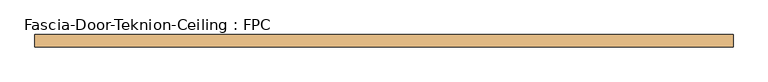
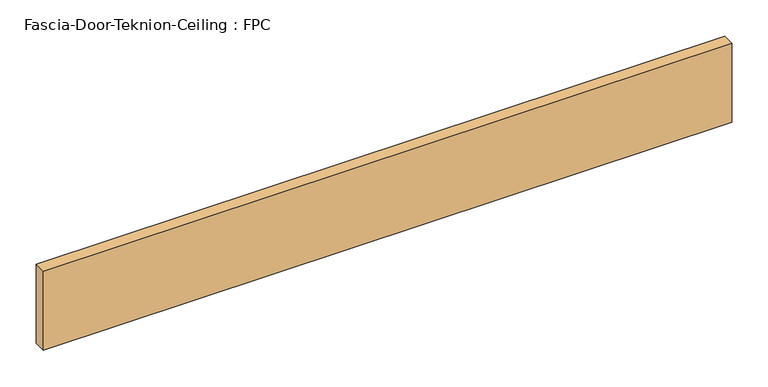
"""IFC4 building model written with IfcOpenShell, lengths in millimetres: door geometry, Fascia-Door-Teknion-Ceiling : FPC."""

import ifcopenshell
import ifcopenshell.guid

model = None  # the IFC model being written
_history = None  # IfcOwnerHistory: only IFC2X3 demands one
_inside = {}  # id of a spatial element -> (the spatial element, [elements in it])
_under = {}  # id of a project, library or spatial element -> (it, [spatial elements below it])
_declared = {}  # id of a project -> (the project, [libraries it declares])
_typed = {}  # id of a type object -> (the type object, [elements of that type])
_made_of = {}  # id of a material, layer set ... -> (it, [elements and type objects made of it])


def new_model(schema):
    """Start an empty IFC model of exactly this schema.

    Asked for "IFC4X3", IfcOpenShell would pick the latest addendum, in which some entities
    have other attributes; the version numbers below select the first issue.
    IFC2X3 requires an IfcOwnerHistory on every rooted entity: one is made here for all.
    """
    global model, _history
    if schema == "IFC4X3":
        model = ifcopenshell.file(schema_version=(4, 3, 0, 0))
    else:
        model = ifcopenshell.file(schema=schema)
    _inside.clear()
    _under.clear()
    _declared.clear()
    _typed.clear()
    _made_of.clear()
    _history = None
    if model.schema == "IFC2X3":
        org = make("IfcOrganization", Name="unknown")
        user = make(
            "IfcPersonAndOrganization",
            ThePerson=make("IfcPerson", FamilyName="unknown"),
            TheOrganization=org,
        )
        app = make(
            "IfcApplication",
            ApplicationDeveloper=org,
            Version="unknown",
            ApplicationFullName="unknown",
            ApplicationIdentifier="unknown",
        )
        _history = make(
            "IfcOwnerHistory",
            OwningUser=user,
            OwningApplication=app,
            ChangeAction="ADDED",
            CreationDate=0,
        )
    return model


def make(cls, **values):
    """One entity of the class cls with the attributes given. An attribute that is None is left unset."""
    return model.create_entity(
        cls, **{name: value for name, value in values.items() if value is not None}
    )


def rooted(cls, **values):
    """An entity with a GlobalId (a new one), such as an element, a storey or a relation."""
    return make(cls, GlobalId=ifcopenshell.guid.new(), OwnerHistory=_history, **values)


def si_unit(unit_type, name, prefix=None):
    """IfcSIUnit, for example si_unit("LENGTHUNIT", "METRE", prefix="MILLI")."""
    return make("IfcSIUnit", UnitType=unit_type, Prefix=prefix, Name=name)


def assignment(units):
    """IfcUnitAssignment: the units of a project."""
    return None if units is None else make("IfcUnitAssignment", Units=units)


def point(xyz):
    """IfcCartesianPoint."""
    return None if xyz is None else make("IfcCartesianPoint", Coordinates=xyz)


def direction(xyz):
    """IfcDirection."""
    return None if xyz is None else make("IfcDirection", DirectionRatios=xyz)


def frame(location, z_axis=None, x_axis=None):
    """IfcAxis2Placement3D, a coordinate frame: its origin and axes. An axis left out is left unset."""
    return make(
        "IfcAxis2Placement3D",
        Location=point(location),
        Axis=direction(z_axis),
        RefDirection=direction(x_axis),
    )


def origin():
    """The frame at (0, 0, 0) with its axes left unset."""
    return frame((0.0, 0.0, 0.0))


def origin_with_axes():
    """The frame at (0, 0, 0) with the z axis (0, 0, 1) and the x axis (1, 0, 0) written out."""
    return frame((0.0, 0.0, 0.0), z_axis=(0.0, 0.0, 1.0), x_axis=(1.0, 0.0, 0.0))


def place(relative_to, where):
    """IfcLocalPlacement: puts the frame where relative to a parent placement (None: the world)."""
    return make(
        "IfcLocalPlacement", PlacementRelTo=relative_to, RelativePlacement=where
    )


def context(
    kind, dimensions, precision=None, world=None, true_north=None, identifier=None
):
    """IfcGeometricRepresentationContext, for example the 3D "Model" context."""
    return make(
        "IfcGeometricRepresentationContext",
        ContextIdentifier=identifier,
        ContextType=kind,
        CoordinateSpaceDimension=dimensions,
        Precision=precision,
        WorldCoordinateSystem=world,
        TrueNorth=true_north,
    )


def project(units=None, contexts=None):
    """IfcProject with its units and contexts."""
    return rooted(
        "IfcProject",
        Name="project",
        RepresentationContexts=contexts,
        UnitsInContext=assignment(units),
    )


def spatial(cls, under=None, at=None, **own):
    """A site, building, storey or space (cls), placed at a placement, below another one or the project."""
    s = rooted(cls, ObjectPlacement=at, **own)
    if under is not None:
        _under.setdefault(under.id(), (under, []))[1].append(s)
    return s


def polyline(points):
    """IfcPolyline through the points."""
    return make("IfcPolyline", Points=[point(p) for p in points])


def outline(outer, holes=None, kind="AREA"):
    """IfcArbitraryClosedProfileDef: a profile drawn as a closed curve; with holes, ...WithVoids."""
    if holes is None:
        return make("IfcArbitraryClosedProfileDef", ProfileType=kind, OuterCurve=outer)
    return make(
        "IfcArbitraryProfileDefWithVoids",
        ProfileType=kind,
        OuterCurve=outer,
        InnerCurves=holes,
    )


def extrude(swept, where, along, depth):
    """IfcExtrudedAreaSolid: the profile swept, set in the frame where, extruded along a direction by depth."""
    return make(
        "IfcExtrudedAreaSolid",
        SweptArea=swept,
        Position=where,
        ExtrudedDirection=direction(along),
        Depth=depth,
    )


def shape(context_of_items, identifier, shape_type, items):
    """IfcShapeRepresentation: the items that make up one representation, for example the "Body"."""
    return make(
        "IfcShapeRepresentation",
        ContextOfItems=context_of_items,
        RepresentationIdentifier=identifier,
        RepresentationType=shape_type,
        Items=items,
    )


def source(mapping_origin, context_of_items, identifier, shape_type, items):
    """IfcRepresentationMap: a shape defined once, which mapped items show again and again."""
    return make(
        "IfcRepresentationMap",
        MappingOrigin=mapping_origin,
        MappedRepresentation=shape(context_of_items, identifier, shape_type, items),
    )


def transform(
    local_origin,
    x_axis=None,
    y_axis=None,
    z_axis=None,
    scale=None,
    scale2=None,
    scale3=None,
    uniform=True,
):
    """IfcCartesianTransformationOperator3D, or its non-uniform kind. x_axis, y_axis, z_axis: its Axis1, 2, 3."""
    if uniform:
        return make(
            "IfcCartesianTransformationOperator3D",
            Axis1=direction(x_axis),
            Axis2=direction(y_axis),
            LocalOrigin=point(local_origin),
            Scale=scale,
            Axis3=direction(z_axis),
        )
    return make(
        "IfcCartesianTransformationOperator3DnonUniform",
        Axis1=direction(x_axis),
        Axis2=direction(y_axis),
        LocalOrigin=point(local_origin),
        Scale=scale,
        Axis3=direction(z_axis),
        Scale2=scale2,
        Scale3=scale3,
    )


def mapped(mapping_source, mapping_target):
    """IfcMappedItem: shows the shape of a source again, moved by a transform."""
    return make(
        "IfcMappedItem", MappingSource=mapping_source, MappingTarget=mapping_target
    )


def made_of(thing, what):
    """Note that an element or type object is made of a material, layer set ...; save() writes the relation."""
    if what is not None:
        _made_of.setdefault(what.id(), (what, []))[1].append(thing)
    return thing


def element(
    cls,
    number,
    at=None,
    inside=None,
    cuts=None,
    type_object=None,
    material=None,
    context=None,
    identifier="Body",
    shape_type=None,
    held_by="IfcProductDefinitionShape",
    body=None,
    shapes=None,
    **own,
):
    """One element of the class cls, such as IfcWall. Its Tag is "e" and its number.

    at: its placement. inside: the storey or other place that contains it. cuts: it is an
    opening in that element (IfcRelVoidsElement). A single representation is given by context,
    identifier, shape_type and body (its items); several are given by shapes. held_by: the class
    of the entity that holds the representations. save() writes the other relations.
    """
    e = rooted(cls, Tag="e%d" % number, ObjectPlacement=at, **own)
    if body is not None:
        shapes = [shape(context, identifier, shape_type, body)]
    if shapes is not None:
        e.Representation = make(held_by, Representations=shapes)
    if inside is not None:
        _inside.setdefault(inside.id(), (inside, []))[1].append(e)
    if cuts is not None:
        rooted(
            "IfcRelVoidsElement", RelatingBuildingElement=cuts, RelatedOpeningElement=e
        )
    if type_object is not None:
        _typed.setdefault(type_object.id(), (type_object, []))[1].append(e)
    return made_of(e, material)


def aggregate(whole, parts):
    """IfcRelAggregates: a whole, such as a stair, and the parts it consists of."""
    return rooted("IfcRelAggregates", RelatingObject=whole, RelatedObjects=parts)


def save(model, path):
    """Write the relations noted so far, then the file.

    IfcRelAggregates (storeys below a building ...), IfcRelContainedInSpatialStructure (elements
    in a storey), IfcRelDefinesByType, IfcRelAssociatesMaterial and IfcRelDeclares: one each for
    every whole, place, type object, material and project.
    """
    for whole, parts in _under.values():
        aggregate(whole, parts)
    for where, things in _inside.values():
        rooted(
            "IfcRelContainedInSpatialStructure",
            RelatedElements=things,
            RelatingStructure=where,
        )
    for kind, things in _typed.values():
        rooted("IfcRelDefinesByType", RelatedObjects=things, RelatingType=kind)
    for what, things in _made_of.values():
        rooted("IfcRelAssociatesMaterial", RelatedObjects=things, RelatingMaterial=what)
    for by, libraries in _declared.values():
        rooted("IfcRelDeclares", RelatingContext=by, RelatedDefinitions=libraries)
    model.write(path)


def fascia_door_teknion_ceiling_fpc_80850e86(model_context):
    return source(origin(), model_context, "Body", "SweptSolid", [
        extrude(outline(polyline([(544.8101563, 0.0), (-544.8101562, 0.0), (-544.8101562, 19.05), (544.8101563, 19.05), (544.8101563, 0.0)])), origin_with_axes(), (0.0, 0.0, 1.0), 132.08),
    ])


if __name__ == "__main__":
    model = new_model("IFC4")
    model_context = context("Model", 3, world=origin())
    ifc_project = project(units=[si_unit("LENGTHUNIT", "METRE", prefix="MILLI")], contexts=[model_context])
    site = spatial("IfcSite", under=ifc_project)
    building = spatial("IfcBuilding", under=site)
    placement = place(None, origin())
    fascia_door_teknion_ceiling_fpc_shape = fascia_door_teknion_ceiling_fpc_80850e86(model_context)
    element("IfcDoor", 1, ObjectType="Fascia-Door-Teknion-Ceiling : FPC", at=placement, inside=building, context=model_context, shape_type="MappedRepresentation", body=[
        mapped(fascia_door_teknion_ceiling_fpc_shape, transform((0.0, 0.0, 0.0), x_axis=(1.0, 0.0, 0.0), y_axis=(0.0, 1.0, 0.0), z_axis=(0.0, 0.0, 1.0))),
    ])
    save(model, "model.ifc")
